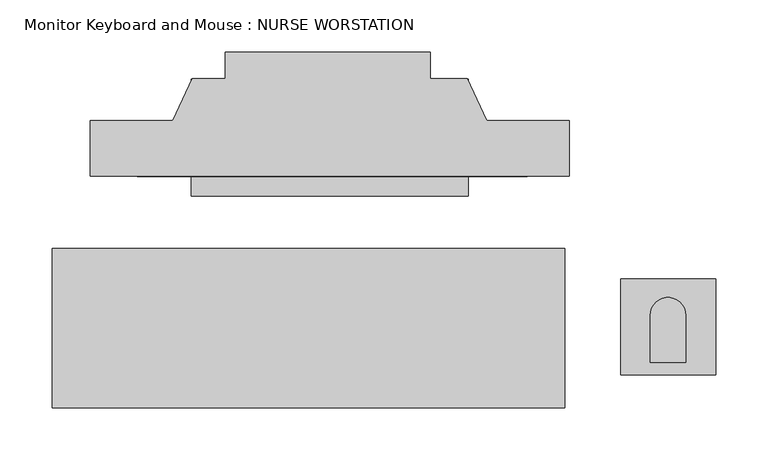
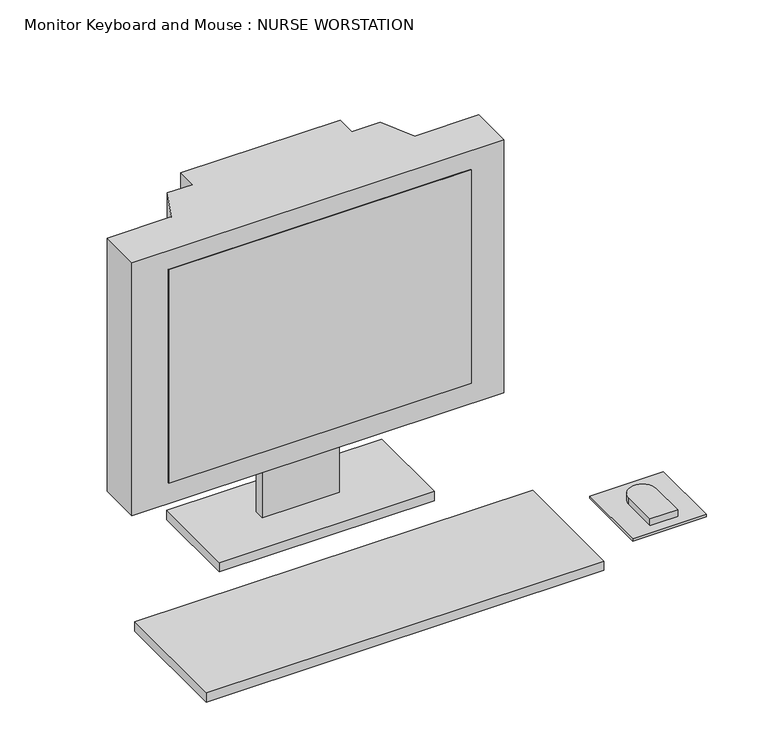
"""IFC4 building model written with IfcOpenShell, lengths in millimetres: proxy geometry, Monitor Keyboard and Mouse : NURSE WORSTATION."""

from ifc_helpers import new_model, si_unit, point, frame, frame_2d, origin, place, context, project, spatial, polyline, circle_curve, trimmed, segment, composite_curve, outline, extrude, source, transform, mapped, element, save


def monitor_keyboard_and_mouse_nurse_worstation_2d4ea0aa(model_context):
    return source(origin(), model_context, "Body", "SweptSolid", [
        extrude(outline(polyline([(11.3204069, -2.1499254), (385.9704069, -2.1499254), (385.9704069, -5.476148), (11.3204069, -5.476148), (11.3204069, -2.1499254)])), frame((0.0, 0.0, 1278.3308248), z_axis=(0.0, 0.0, 1.0), x_axis=(1.0, 0.0, 0.0)), (0.0, 0.0, 1.0), 279.4),
        extrude(outline(polyline([(11.3204069, 10.9978045), (385.9704069, 10.9978045), (385.9704069, 3.998727), (11.3204069, 3.998727), (11.3204069, 10.9978045)])), frame((0.0, 0.0, 1278.3308248), z_axis=(0.0, 0.0, 1.0), x_axis=(1.0, 0.0, 0.0)), (0.0, 0.0, 1.0), 279.4),
        extrude(outline(polyline([(566.8529791, -103.6582011), (566.8529791, -195.5987822), (475.4784271, -195.5987822), (475.4784271, -103.6582011), (566.8529791, -103.6582011)])), frame((0.0, 0.0, 1155.7), z_axis=(0.0, 0.0, 1.0), x_axis=(1.0, 0.0, 0.0)), (0.0, 0.0, 1.0), 2.9133962),
        extrude(outline(composite_curve([segment(trimmed(circle_curve(frame_2d((520.8651108, -138.5749128)), 17.0826805), [point((503.7824304, -138.5749128))], [point((537.9477913, -138.5749128))], False, "CARTESIAN"), True, "CONTINUOUS"), segment(polyline([(537.9477913, -138.5749128), (537.9477913, -183.8689655), (503.7824304, -183.8689655), (503.7824304, -138.5749128)]), True, "CONTINUOUS")], self_intersect=False)), frame((0.0, 0.0, 1158.6133962), z_axis=(0.0, 0.0, 1.0), x_axis=(1.0, 0.0, 0.0)), (0.0, 0.0, 1.0), 9.3019768),
        extrude(outline(polyline([(421.683969, -227.6226119), (-70.2947271, -227.6226119), (-70.2947271, -74.6176866), (421.683969, -74.6176866), (421.683969, -227.6226119)])), frame((0.0, 0.0, 1155.7), z_axis=(0.0, 0.0, 1.0), x_axis=(1.0, 0.0, 0.0)), (0.0, 0.0, 1.0), 12.2153731),
        extrude(outline(polyline([(328.9761644, -24.13), (63.4041467, -24.13), (63.4041467, 88.3361171), (328.9761644, 88.3361171), (328.9761644, -24.13)])), frame((0.0, 0.0, 1155.7), z_axis=(0.0, 0.0, 1.0), x_axis=(1.0, 0.0, 0.0)), (0.0, 0.0, 1.0), 12.2153731),
        extrude(outline(polyline([(240.0761644, 24.8549459), (144.8261644, 24.8549459), (144.8261644, 37.5361171), (240.0761644, 37.5361171), (240.0761644, 24.8549459)])), frame((0.0, 0.0, 1167.9153731), z_axis=(0.0, 0.0, 1.0), x_axis=(1.0, 0.0, 0.0)), (0.0, 0.0, 1.0), 83.6809533),
        extrude(outline(polyline([(-33.6750377, -5.08), (-33.6750377, 48.26), (45.4860159, 48.26), (64.4367591, 88.9), (95.8649623, 88.9), (95.8649623, 114.3), (292.7149623, 114.3), (292.7149623, 88.9), (327.9531654, 88.9), (346.9039086, 48.26), (426.0649623, 48.26), (426.0649623, -5.08), (-33.6750377, -5.08)])), frame((0.0, 0.0, 1251.5963264), z_axis=(0.0, 0.0, 1.0), x_axis=(1.0, 0.0, 0.0)), (0.0, 0.0, 1.0), 330.8236736),
    ])


if __name__ == "__main__":
    model = new_model("IFC4")
    model_context = context("Model", 3, world=origin())
    ifc_project = project(units=[si_unit("LENGTHUNIT", "METRE", prefix="MILLI")], contexts=[model_context])
    site = spatial("IfcSite", under=ifc_project)
    building = spatial("IfcBuilding", under=site)
    placement = place(None, origin())
    monitor_keyboard_and_mouse_nurse_worstation_shape = monitor_keyboard_and_mouse_nurse_worstation_2d4ea0aa(model_context)
    element("IfcBuildingElementProxy", 1, Name="Monitor Keyboard and Mouse : NURSE WORSTATION", ObjectType="Monitor Keyboard and Mouse : NURSE WORSTATION", at=placement, inside=building, context=model_context, shape_type="MappedRepresentation", body=[
        mapped(monitor_keyboard_and_mouse_nurse_worstation_shape, transform((0.0, 0.0, 0.0), x_axis=(1.0, 0.0, 0.0), y_axis=(0.0, 1.0, 0.0), z_axis=(0.0, 0.0, 1.0))),
    ])
    save(model, "model.ifc")
